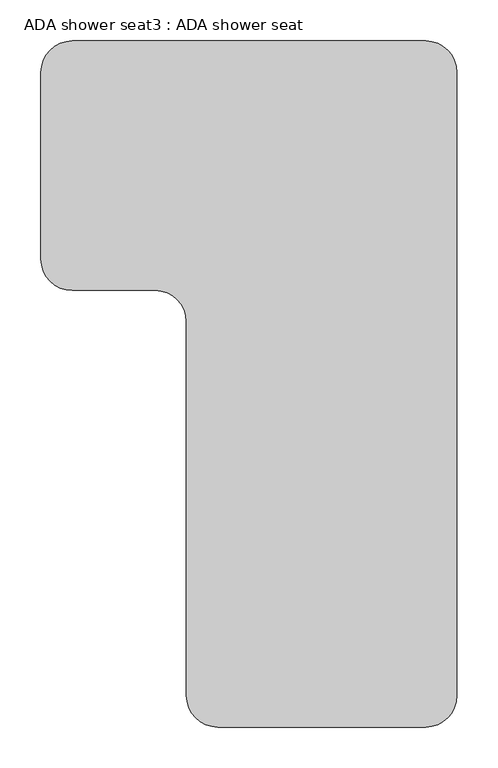
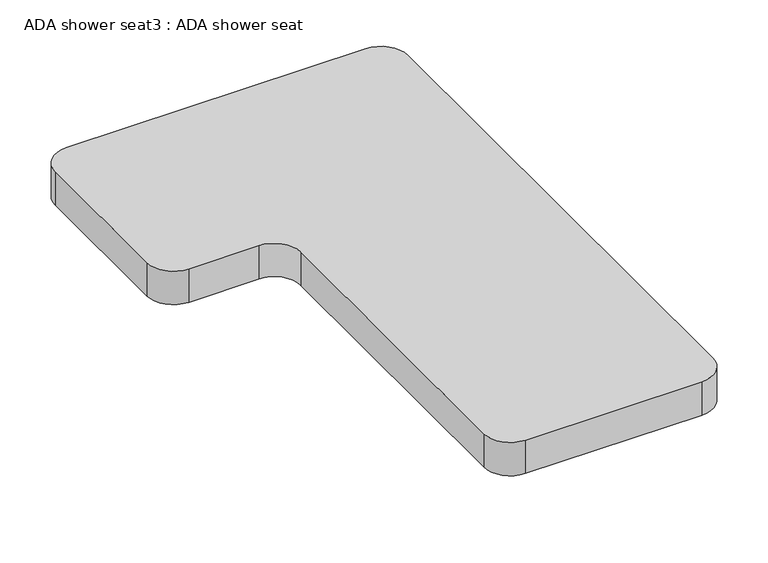
"""IFC4 building model written with IfcOpenShell, lengths in millimetres: proxy geometry, ADA shower seat3 : ADA shower seat."""

from ifc_helpers import new_model, si_unit, point, frame, frame_2d, origin, place, context, project, spatial, polyline, circle_curve, trimmed, segment, composite_curve, outline, extrude, source, transform, mapped, element, save


def ada_shower_seat3_ada_shower_seat_b61f1c75(model_context):
    return source(origin(), model_context, "Body", "SweptSolid", [
        extrude(outline(composite_curve([segment(polyline([(911434.992099, 52304.95), (911866.792099, 52304.95)]), True, "CONTINUOUS"), segment(trimmed(circle_curve(frame_2d((911866.792099, 52266.85)), 38.1), [point((911866.792099, 52304.95))], [point((911904.892099, 52266.85))], False, "CARTESIAN"), True, "CONTINUOUS"), segment(polyline([(911904.892099, 52266.85), (911904.892099, 51504.85)]), True, "CONTINUOUS"), segment(trimmed(circle_curve(frame_2d((911866.792099, 51504.85)), 38.1), [point((911904.892099, 51504.85))], [point((911866.792099, 51466.75))], False, "CARTESIAN"), True, "CONTINUOUS"), segment(polyline([(911866.792099, 51466.75), (911612.792099, 51466.75)]), True, "CONTINUOUS"), segment(trimmed(circle_curve(frame_2d((911612.792099, 51504.85)), 38.1), [point((911612.792099, 51466.75))], [point((911574.692099, 51504.85))], False, "CARTESIAN"), True, "CONTINUOUS"), segment(polyline([(911574.692099, 51504.85), (911574.692099, 51962.05)]), True, "CONTINUOUS"), segment(trimmed(circle_curve(frame_2d((911536.592099, 51962.05)), 38.1), [point((911574.692099, 51962.05))], [point((911536.592099, 52000.15))], True, "CARTESIAN"), True, "CONTINUOUS"), segment(polyline([(911536.592099, 52000.15), (911434.992099, 52000.15)]), True, "CONTINUOUS"), segment(trimmed(circle_curve(frame_2d((911434.992099, 52038.25)), 38.1), [point((911434.992099, 52000.15))], [point((911396.892099, 52038.25))], False, "CARTESIAN"), True, "CONTINUOUS"), segment(polyline([(911396.892099, 52038.25), (911396.892099, 52266.85)]), True, "CONTINUOUS"), segment(trimmed(circle_curve(frame_2d((911434.992099, 52266.85)), 38.1), [point((911396.892099, 52266.85))], [point((911434.992099, 52304.95))], False, "CARTESIAN"), True, "CONTINUOUS")], self_intersect=False)), frame((0.0, 0.0, 406.4), z_axis=(0.0, 0.0, 1.0), x_axis=(1.0, 0.0, 0.0)), (0.0, 0.0, 1.0), 50.8),
    ])


if __name__ == "__main__":
    model = new_model("IFC4")
    model_context = context("Model", 3, world=origin())
    ifc_project = project(units=[si_unit("LENGTHUNIT", "METRE", prefix="MILLI")], contexts=[model_context])
    site = spatial("IfcSite", under=ifc_project)
    building = spatial("IfcBuilding", under=site)
    placement = place(None, origin())
    ada_shower_seat3_ada_shower_seat_shape = ada_shower_seat3_ada_shower_seat_b61f1c75(model_context)
    element("IfcBuildingElementProxy", 1, Name="ADA shower seat3 : ADA shower seat", ObjectType="ADA shower seat3 : ADA shower seat", at=placement, inside=building, context=model_context, shape_type="MappedRepresentation", body=[
        mapped(ada_shower_seat3_ada_shower_seat_shape, transform((0.0, 0.0, 0.0), x_axis=(1.0, 0.0, 0.0), y_axis=(0.0, 1.0, 0.0), z_axis=(0.0, 0.0, 1.0))),
    ])
    save(model, "model.ifc")
